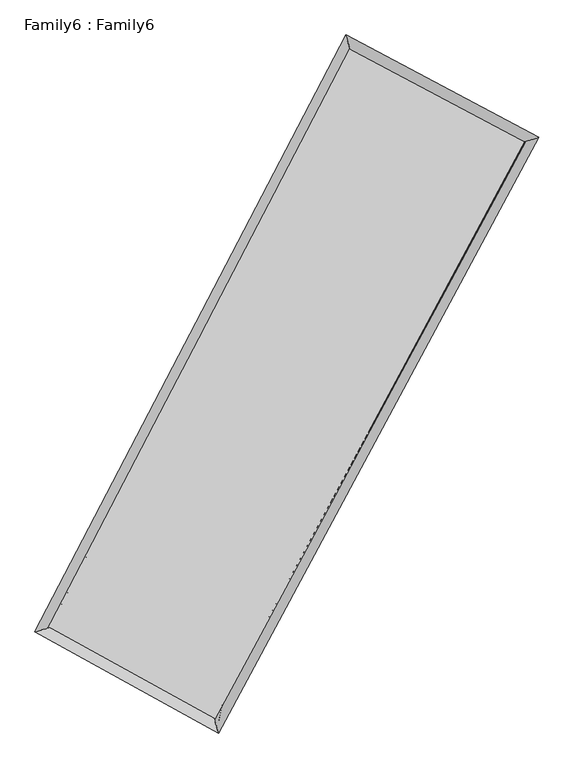
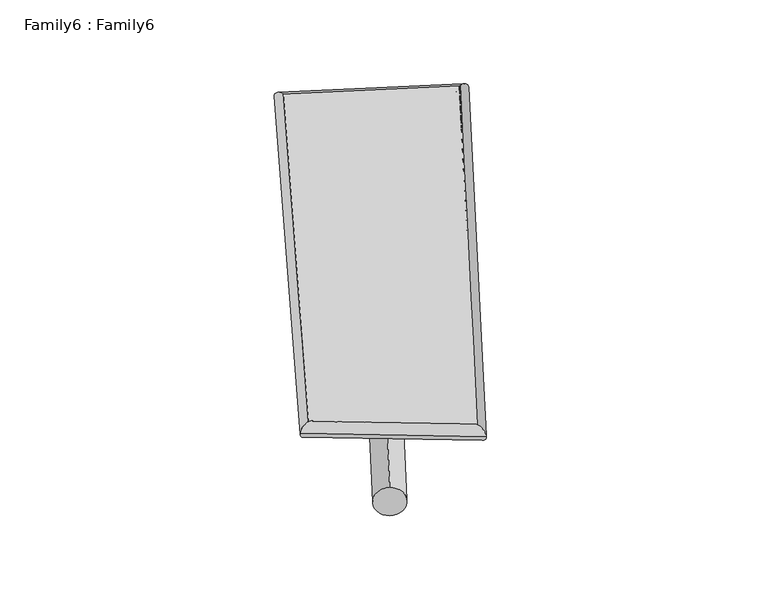
"""IFC4 building model written with IfcOpenShell, lengths in millimetres: plate geometry, Family6 : Family6."""

from ifc_helpers import new_model, si_unit, point, frame, origin, origin_2d, place, context, project, spatial, circle_curve, ellipse_curve, trimmed, segment, composite_curve, outline, extrude, source, transform, mapped, element, save
from ifc_brep_helpers import plane_surface, cylinder_surface, spline_surface, advanced_brep


def family6_family6_46a7279d(model_context):
    return source(origin(), model_context, "Body", "SolidModel", [
        extrude(outline(composite_curve([segment(trimmed(circle_curve(origin_2d(), 76.2), [point((-75.4341514, -10.7763074))], [point((75.4341514, 10.7763074))], False, "CARTESIAN"), True, "CONTINUOUS"), segment(trimmed(circle_curve(origin_2d(), 76.2), [point((75.4341514, 10.7763074))], [point((-75.4341514, -10.7763074))], False, "CARTESIAN"), True, "CONTINUOUS")], self_intersect=False)), frame((9144.0, 9144.0, 0.0), z_axis=(0.6770711517622, 0.6802392135249039, 0.2808011179365715), x_axis=(-0.6734047225584829, 0.726579391472593, -0.1364128568839802)), (0.0, 0.0, 1.0), 5600.0268823),
        extrude(outline(composite_curve([segment(trimmed(circle_curve(origin_2d(), 76.2), [point((-53.8815367, 53.8815367))], [point((53.8815367, -53.8815367))], False, "CARTESIAN"), True, "CONTINUOUS"), segment(trimmed(circle_curve(origin_2d(), 76.2), [point((53.8815367, -53.8815367))], [point((-53.8815367, 53.8815367))], False, "CARTESIAN"), True, "CONTINUOUS")], self_intersect=False)), frame((9144.0, 9144.0, 0.0), z_axis=(-0.6681931784057087, -0.6879409070372474, 0.28329346049078863), x_axis=(0.6484415745435052, -0.35182804490370606, 0.6750855880721908)), (0.0, 0.0, 1.0), 5557.262244),
        extrude(outline(composite_curve([segment(trimmed(circle_curve(origin_2d(), 76.2), [point((-53.8815367, -53.8815367))], [point((53.8815367, 53.8815367))], False, "CARTESIAN"), True, "CONTINUOUS"), segment(trimmed(circle_curve(origin_2d(), 76.2), [point((53.8815367, 53.8815367))], [point((-53.8815367, -53.8815367))], False, "CARTESIAN"), True, "CONTINUOUS")], self_intersect=False)), frame((9144.0, 9144.0, 0.0), z_axis=(0.18445411265926165, 0.9466352684129278, 0.26430730016378445), x_axis=(-0.8523708928179661, 0.2879631984814507, -0.43651008853981377)), (0.0, 0.0, 1.0), 5571.6548338),
        extrude(outline(composite_curve([segment(trimmed(circle_curve(origin_2d(), 76.2), [point((-75.4341514, 10.7763073))], [point((75.4341514, -10.7763073))], False, "CARTESIAN"), True, "CONTINUOUS"), segment(trimmed(circle_curve(origin_2d(), 76.2), [point((75.4341514, -10.7763073))], [point((-75.4341514, 10.7763073))], False, "CARTESIAN"), True, "CONTINUOUS")], self_intersect=False)), frame((9144.0, 9144.0, 0.0), z_axis=(-0.19683198854957246, -0.9442792214524498, 0.2638065962343934), x_axis=(0.9002220111874468, -0.06746967127209746, 0.4301722608816885)), (0.0, 0.0, 1.0), 5574.9390934),
        advanced_brep(
        [(5227.0303079, 5259.5669368, 1568.6723267), (5226.8699858, 5259.2605476, 1582.9360983), (5634.3202479, 5382.2970056, 1579.9997773), (10235.8127938, 14211.9191191, 1481.2863959), (10107.616503, 14624.7308191, 1463.9716972), (5634.48057, 5382.6033948, 1565.7360056), (12728.6910997, 12890.6043018, 1571.3585836), (13142.5422025, 13016.1114625, 1573.6290344), (7985.4587994, 4087.3797375, 1472.604187), (8107.888505, 3672.021969, 1468.8072259)],
        [
            (0, 1, ellipse_curve(frame((5430.6752779, 5320.9319712, 1574.336052), z_axis=(-0.2889171233614514, 0.9571975449453881, 0.017313456589175043), x_axis=(-0.9566942291403385, -0.2893421110225745, 0.03189505790202419)), 213.1127248, 152.4)),
            (1, 2, ellipse_curve(frame((5430.6752779, 5320.9319712, 1574.336052), z_axis=(-0.2889171233614514, 0.9571975449453881, 0.017313456589175043), x_axis=(-0.9566942291403385, -0.2893421110225745, 0.03189505790202419)), 213.1127248, 152.4)),
            (2, 3),
            (3, 4, ellipse_curve(frame((10171.7146484, 14418.3249691, 1472.6290466), z_axis=(-0.9547082397757896, -0.297133845652224, -0.015609441762405618), x_axis=(0.2966017691187909, -0.954546576434165, 0.029465640556727374)), 216.3150408, 152.4)),
            (4, 0),
            (2, 5, ellipse_curve(frame((5430.6752779, 5320.9319712, 1574.336052), z_axis=(-0.2889171233614514, 0.9571975449453881, 0.017313456589175043), x_axis=(-0.9566942291403385, -0.2893421110225745, 0.03189505790202419)), 213.1127248, 152.4)),
            (5, 0, ellipse_curve(frame((5430.6752779, 5320.9319712, 1574.336052), z_axis=(-0.2889171233614514, 0.9571975449453881, 0.017313456589175043), x_axis=(-0.9566942291403385, -0.2893421110225745, 0.03189505790202419)), 213.1127248, 152.4)),
            (4, 3, ellipse_curve(frame((10171.7146484, 14418.3249691, 1472.6290466), z_axis=(-0.9547082397757896, -0.297133845652224, -0.015609441762405618), x_axis=(0.2966017691187909, -0.954546576434165, 0.029465640556727374)), 216.3150408, 152.4)),
            (3, 6),
            (6, 7, ellipse_curve(frame((12935.6166511, 12953.3578821, 1572.493809), z_axis=(-0.2901003455439212, 0.9568684945240716, -0.01563565484826838), x_axis=(-0.9564369829612787, -0.2904505939969951, -0.029440619401081954)), 216.2989842, 152.4)),
            (7, 4),
            (7, 6, ellipse_curve(frame((12935.6166511, 12953.3578821, 1572.493809), z_axis=(-0.2901003455439212, 0.9568684945240716, -0.01563565484826838), x_axis=(-0.9564369829612787, -0.2904505939969951, -0.029440619401081954)), 216.2989842, 152.4)),
            (6, 8),
            (8, 9, ellipse_curve(frame((8046.6736522, 3879.7008532, 1470.7057064), z_axis=(0.9590066148884259, 0.2828352273616778, -0.017622337061528808), x_axis=(-0.28221006344793853, 0.9588402341115662, 0.03135100536804611)), 216.5774046, 152.4)),
            (9, 7),
            (9, 8, ellipse_curve(frame((8046.6736522, 3879.7008532, 1470.7057064), z_axis=(0.9590066148884259, 0.2828352273616778, -0.017622337061528808), x_axis=(-0.28221006344793853, 0.9588402341115662, 0.03135100536804611)), 216.5774046, 152.4)),
            (8, 5),
            (1, 9),
        ],
        [
            cylinder_surface(frame((5430.6752779, 5320.9319712, 1574.336052), z_axis=(-0.4621274552515112, -0.8867581023930028, 0.009913775422279582), x_axis=(-0.8860435309983306, 0.4612316049992536, -0.04682165872566762)), 152.4),
            cylinder_surface(frame((10171.7146484, 14418.3249691, 1472.6290466), z_axis=(-0.883109891488638, 0.46807988270384737, -0.03190835255663513), x_axis=(0.46887152759724443, 0.8829218189510668, -0.024668851387248808)), 152.4),
            cylinder_surface(frame((12935.6166511, 12953.3578821, 1572.493809), z_axis=(0.4743119230067491, 0.8803014711078853, 0.009875204247653233), x_axis=(0.8803533349501633, -0.4743119230067491, -0.0024910511366185817)), 152.4),
            cylinder_surface(frame((8046.6736522, 3879.7008532, 1470.7057064), z_axis=(0.875345104750358, -0.4822535886640509, -0.03467598319052216), x_axis=(-0.48173612985573494, -0.8760264445589735, 0.022538181492355022)), 152.4),
        ],
        [
            (0, [[1, 2, 3, 4, 5]]),
            (0, [[6, 7, -5, 8, -3]]),
            (1, [[-4, 9, 10, 11]]),
            (1, [[-8, -11, 12, -9]]),
            (2, [[-10, 13, 14, 15]]),
            (2, [[-12, -15, 16, -13]]),
            (3, [[-14, 17, -6, -2, 18]]),
            (3, [[-16, -18, -1, -7, -17]]),
        ],
    ),
        extrude(outline(composite_curve([segment(trimmed(circle_curve(origin_2d(), 304.8), [point((0.0, 304.8))], [point((0.0, -304.8))], False, "CARTESIAN"), True, "CONTINUOUS"), segment(trimmed(circle_curve(origin_2d(), 304.8), [point((0.0, -304.8))], [point((0.0, 304.8))], False, "CARTESIAN"), True, "CONTINUOUS")], self_intersect=False)), frame((11605.2120933, 13679.4656569, -0.1234112), z_axis=(-0.4769574693648599, -0.8789263745303715, 2.3915811287460965e-05), x_axis=(-0.8789263748347825, 0.4769574693648599, -6.070926984739364e-06)), (0.0, 0.0, 1.0), 10320.4677623),
        advanced_brep(
        [(5430.6752779, 5320.9319712, 1574.336052), (8046.6736522, 3879.7008532, 1470.7057064), (8046.6506309, 3879.7082726, 1623.1057045), (5430.6522566, 5320.9393906, 1726.73605), (12935.6166511, 12953.3578821, 1572.493809), (12935.5936298, 12953.3653015, 1724.8938071), (10171.7146484, 14418.3249691, 1472.6290466), (10171.6916271, 14418.3323885, 1625.0290446)],
        [
            (0, 1),
            (1, 2),
            (2, 3),
            (3, 0),
            (1, 4),
            (4, 5),
            (5, 2),
            (4, 6),
            (6, 7),
            (7, 5),
            (6, 0),
            (3, 7),
        ],
        [
            plane_surface(frame((6738.6744651, 4600.3164122, 1522.5208792), z_axis=(-0.4825447061269189, -0.8758713408222196, -3.0251828297142916e-05), x_axis=(0.8753451047503582, -0.48225358866405055, -0.03467598319052216))),
            plane_surface(frame((10491.1451516, 8416.5293677, 1521.5997577), z_axis=(0.8803436557539124, -0.47433640321414455, 0.00015607596222476545), x_axis=(0.47431192300674885, 0.8803014711078855, 0.00987520424765324))),
            plane_surface(frame((11553.6656497, 13685.8414256, 1522.5614278), z_axis=(0.46831756861189705, 0.8835602153563609, 2.7728373466375314e-05), x_axis=(-0.883109891488638, 0.4680798827038474, -0.03190835255663513))),
            plane_surface(frame((7801.1949632, 9869.6284701, 1523.4825493), z_axis=(-0.8868023882210309, 0.46214878531300513, -0.00015645827039127355), x_axis=(-0.4621274552515109, -0.886758102393003, 0.009913775422279591))),
            spline_surface(1, 1, [[(8046.6506309, 3879.7082726, 1623.1057045), (5430.6522566, 5320.9393906, 1726.73605)], [(12935.5936298, 12953.3653015, 1724.8938071), (10171.6916271, 14418.3323885, 1625.0290446)]], [2, 2], [2, 2], [0.0, 1.0], [0.0, 1.0]),
            spline_surface(1, 1, [[(10171.7146484, 14418.3249691, 1472.6290466), (5430.6752779, 5320.9319712, 1574.336052)], [(12935.6166511, 12953.3578821, 1572.493809), (8046.6736522, 3879.7008532, 1470.7057064)]], [2, 2], [2, 2], [0.0, 1.0], [0.0, 1.0]),
        ],
        [
            (0, [[1, 2, 3, 4]]),
            (1, [[5, 6, 7, -2]]),
            (2, [[8, 9, 10, -6]]),
            (3, [[11, -4, 12, -9]]),
            (4, [[-3, -7, -10, -12]]),
            (5, [[-11, -8, -5, -1]]),
        ],
    ),
    ])


if __name__ == "__main__":
    model = new_model("IFC4")
    model_context = context("Model", 3, world=origin())
    ifc_project = project(units=[si_unit("LENGTHUNIT", "METRE", prefix="MILLI")], contexts=[model_context])
    site = spatial("IfcSite", under=ifc_project)
    building = spatial("IfcBuilding", under=site)
    placement = place(None, origin())
    family6_family6_shape = family6_family6_46a7279d(model_context)
    element("IfcPlate", 1, ObjectType="Family6 : Family6", at=placement, inside=building, context=model_context, shape_type="MappedRepresentation", body=[
        mapped(family6_family6_shape, transform((0.0, 0.0, 0.0), x_axis=(1.0, 0.0, 0.0), y_axis=(0.0, 1.0, 0.0), z_axis=(0.0, 0.0, 1.0))),
    ])
    save(model, "model.ifc")
